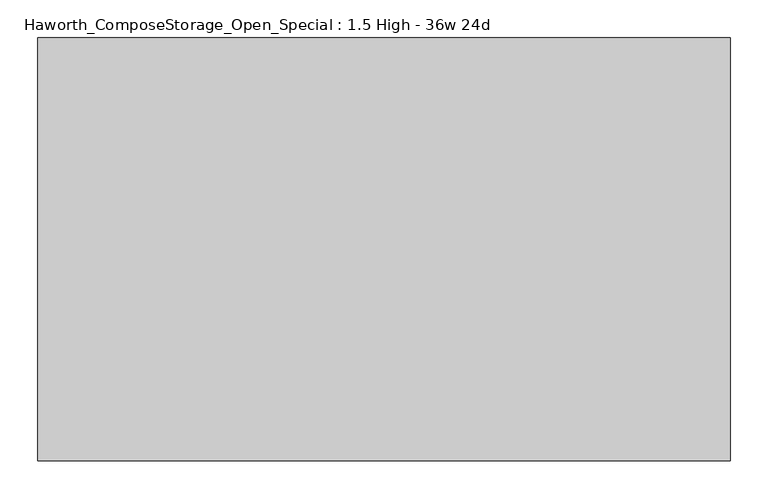
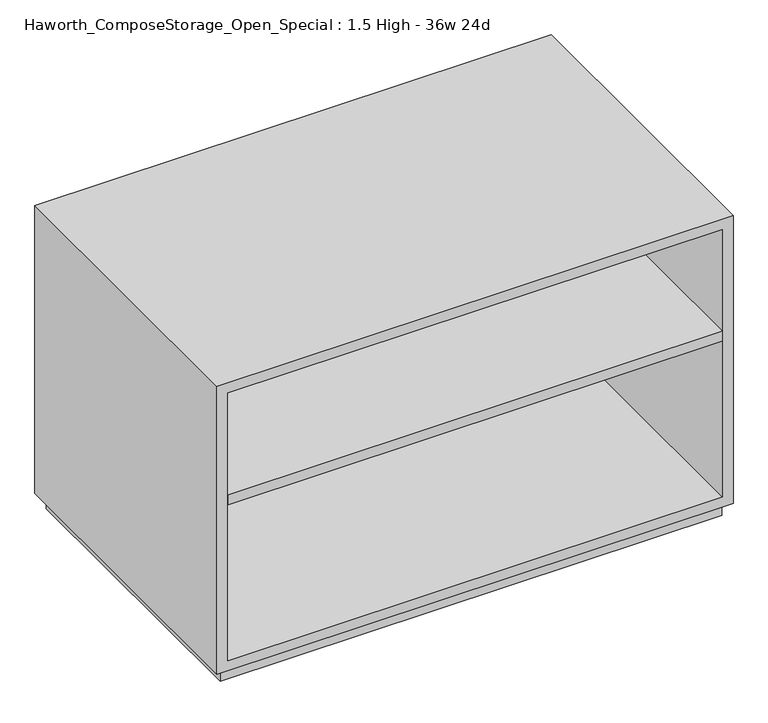
"""IFC4 building model written with IfcOpenShell, lengths in millimetres: furniture geometry, Haworth_ComposeStorage_Open_Special : 1.5 High - 36w 24d."""

from ifc_helpers import new_model, si_unit, frame, origin, origin_with_axes, place, context, project, spatial, polyline, outline, extrude, source, transform, mapped, element, save


def haworth_composestorage_open_special_1_5_high_36w_24d_af76ef2b(model_context):
    return source(origin(), model_context, "Body", "SweptSolid", [
        extrude(outline(polyline([(438.1569453, 323.85), (438.1569453, -215.9), (-438.1291641, -215.9), (-438.1291641, 323.85), (438.1569453, 323.85)])), frame((0.0, 0.0, 336.55), z_axis=(0.0, 0.0, 1.0), x_axis=(1.0, 0.0, 0.0)), (0.0, 0.0, 1.0), 19.05),
        extrude(outline(polyline([(25.4, -457.1861094), (25.4, 457.2138906), (565.15, 457.2138906), (565.15, -457.1861094), (25.4, -457.1861094)]), holes=[polyline([(44.45, -438.1361094), (546.1, -438.1361094), (546.1, 438.1569453), (44.45, 438.1569453), (44.45, -438.1361094)])]), frame((0.0, -215.9, 0.0), z_axis=(0.0, 1.0, 0.0), x_axis=(0.0, 0.0, 1.0)), (0.0, 0.0, 1.0), 558.8),
        extrude(outline(polyline([(-438.1291641, 323.85), (-438.1291641, 342.9), (438.1569453, 342.9), (438.1569453, 323.85), (-438.1291641, 323.85)])), frame((0.0, 0.0, 44.45), z_axis=(0.0, 0.0, 1.0), x_axis=(1.0, 0.0, 0.0)), (0.0, 0.0, 1.0), 501.65),
        extrude(outline(polyline([(444.5138906, -203.2), (-444.4861094, -203.2), (-444.4861094, 330.2), (444.5138906, 330.2), (444.5138906, -203.2)])), origin_with_axes(), (0.0, 0.0, 1.0), 25.4),
    ])


if __name__ == "__main__":
    model = new_model("IFC4")
    model_context = context("Model", 3, world=origin())
    ifc_project = project(units=[si_unit("LENGTHUNIT", "METRE", prefix="MILLI")], contexts=[model_context])
    site = spatial("IfcSite", under=ifc_project)
    building = spatial("IfcBuilding", under=site)
    placement = place(None, origin())
    haworth_composestorage_open_special_1_5_high_36w_24d_shape = haworth_composestorage_open_special_1_5_high_36w_24d_af76ef2b(model_context)
    element("IfcFurniture", 1, ObjectType="Haworth_ComposeStorage_Open_Special : 1.5 High - 36w 24d", at=placement, inside=building, context=model_context, shape_type="MappedRepresentation", body=[
        mapped(haworth_composestorage_open_special_1_5_high_36w_24d_shape, transform((0.0, 0.0, 0.0), x_axis=(1.0, 0.0, 0.0), y_axis=(0.0, 1.0, 0.0), z_axis=(0.0, 0.0, 1.0))),
    ])
    save(model, "model.ifc")
